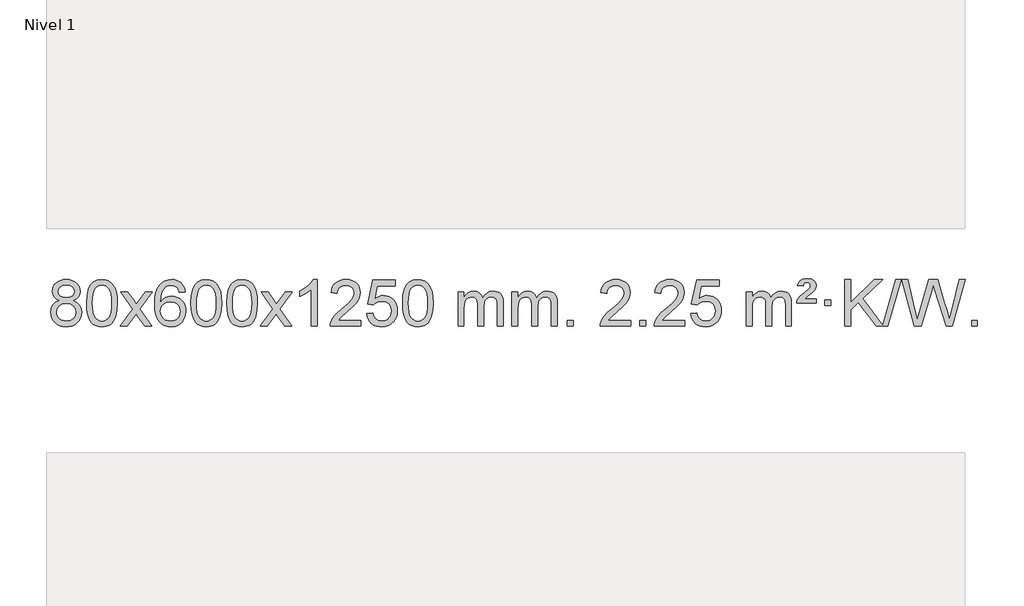
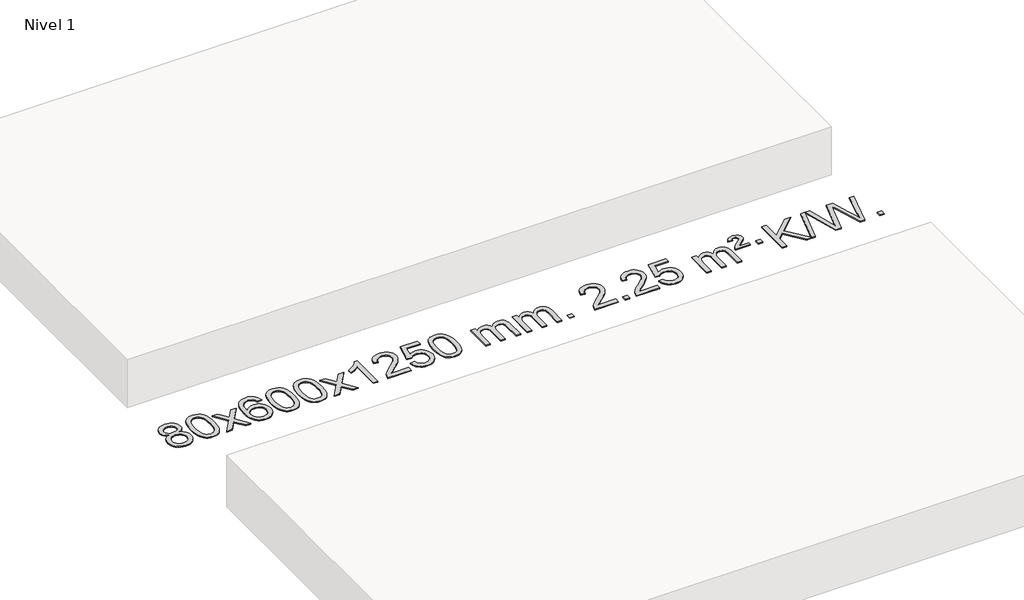
# One storey, part 6 of 7: 1 proxy.
"""IFC4 building model written with IfcOpenShell, lengths in millimetres."""

import ifcopenshell
import ifcopenshell.guid

model = None  # the IFC model being written
_history = None  # IfcOwnerHistory: only IFC2X3 demands one
_inside = {}  # id of a spatial element -> (the spatial element, [elements in it])
_under = {}  # id of a project, library or spatial element -> (it, [spatial elements below it])
_declared = {}  # id of a project -> (the project, [libraries it declares])
_typed = {}  # id of a type object -> (the type object, [elements of that type])
_made_of = {}  # id of a material, layer set ... -> (it, [elements and type objects made of it])


def new_model(schema):
    """Start an empty IFC model of exactly this schema.

    Asked for "IFC4X3", IfcOpenShell would pick the latest addendum, in which some entities
    have other attributes; the version numbers below select the first issue.
    IFC2X3 requires an IfcOwnerHistory on every rooted entity: one is made here for all.
    """
    global model, _history
    if schema == "IFC4X3":
        model = ifcopenshell.file(schema_version=(4, 3, 0, 0))
    else:
        model = ifcopenshell.file(schema=schema)
    _inside.clear()
    _under.clear()
    _declared.clear()
    _typed.clear()
    _made_of.clear()
    _history = None
    if model.schema == "IFC2X3":
        org = make("IfcOrganization", Name="unknown")
        user = make(
            "IfcPersonAndOrganization",
            ThePerson=make("IfcPerson", FamilyName="unknown"),
            TheOrganization=org,
        )
        app = make(
            "IfcApplication",
            ApplicationDeveloper=org,
            Version="unknown",
            ApplicationFullName="unknown",
            ApplicationIdentifier="unknown",
        )
        _history = make(
            "IfcOwnerHistory",
            OwningUser=user,
            OwningApplication=app,
            ChangeAction="ADDED",
            CreationDate=0,
        )
    return model


def make(cls, **values):
    """One entity of the class cls with the attributes given. An attribute that is None is left unset."""
    return model.create_entity(
        cls, **{name: value for name, value in values.items() if value is not None}
    )


def rooted(cls, **values):
    """An entity with a GlobalId (a new one), such as an element, a storey or a relation."""
    return make(cls, GlobalId=ifcopenshell.guid.new(), OwnerHistory=_history, **values)


def si_unit(unit_type, name, prefix=None):
    """IfcSIUnit, for example si_unit("LENGTHUNIT", "METRE", prefix="MILLI")."""
    return make("IfcSIUnit", UnitType=unit_type, Prefix=prefix, Name=name)


def assignment(units):
    """IfcUnitAssignment: the units of a project."""
    return None if units is None else make("IfcUnitAssignment", Units=units)


def point(xyz):
    """IfcCartesianPoint."""
    return None if xyz is None else make("IfcCartesianPoint", Coordinates=xyz)


def direction(xyz):
    """IfcDirection."""
    return None if xyz is None else make("IfcDirection", DirectionRatios=xyz)


def frame(location, z_axis=None, x_axis=None):
    """IfcAxis2Placement3D, a coordinate frame: its origin and axes. An axis left out is left unset."""
    return make(
        "IfcAxis2Placement3D",
        Location=point(location),
        Axis=direction(z_axis),
        RefDirection=direction(x_axis),
    )


def origin():
    """The frame at (0, 0, 0) with its axes left unset."""
    return frame((0.0, 0.0, 0.0))


def origin_with_axes():
    """The frame at (0, 0, 0) with the z axis (0, 0, 1) and the x axis (1, 0, 0) written out."""
    return frame((0.0, 0.0, 0.0), z_axis=(0.0, 0.0, 1.0), x_axis=(1.0, 0.0, 0.0))


def place(relative_to, where):
    """IfcLocalPlacement: puts the frame where relative to a parent placement (None: the world)."""
    return make(
        "IfcLocalPlacement", PlacementRelTo=relative_to, RelativePlacement=where
    )


def context(
    kind, dimensions, precision=None, world=None, true_north=None, identifier=None
):
    """IfcGeometricRepresentationContext, for example the 3D "Model" context."""
    return make(
        "IfcGeometricRepresentationContext",
        ContextIdentifier=identifier,
        ContextType=kind,
        CoordinateSpaceDimension=dimensions,
        Precision=precision,
        WorldCoordinateSystem=world,
        TrueNorth=true_north,
    )


def project(units=None, contexts=None):
    """IfcProject with its units and contexts."""
    return rooted(
        "IfcProject",
        Name="project",
        RepresentationContexts=contexts,
        UnitsInContext=assignment(units),
    )


def spatial(cls, under=None, at=None, **own):
    """A site, building, storey or space (cls), placed at a placement, below another one or the project."""
    s = rooted(cls, ObjectPlacement=at, **own)
    if under is not None:
        _under.setdefault(under.id(), (under, []))[1].append(s)
    return s


def polyline(points):
    """IfcPolyline through the points."""
    return make("IfcPolyline", Points=[point(p) for p in points])


def outline(outer, holes=None, kind="AREA"):
    """IfcArbitraryClosedProfileDef: a profile drawn as a closed curve; with holes, ...WithVoids."""
    if holes is None:
        return make("IfcArbitraryClosedProfileDef", ProfileType=kind, OuterCurve=outer)
    return make(
        "IfcArbitraryProfileDefWithVoids",
        ProfileType=kind,
        OuterCurve=outer,
        InnerCurves=holes,
    )


def extrude(swept, where, along, depth):
    """IfcExtrudedAreaSolid: the profile swept, set in the frame where, extruded along a direction by depth."""
    return make(
        "IfcExtrudedAreaSolid",
        SweptArea=swept,
        Position=where,
        ExtrudedDirection=direction(along),
        Depth=depth,
    )


def shape(context_of_items, identifier, shape_type, items):
    """IfcShapeRepresentation: the items that make up one representation, for example the "Body"."""
    return make(
        "IfcShapeRepresentation",
        ContextOfItems=context_of_items,
        RepresentationIdentifier=identifier,
        RepresentationType=shape_type,
        Items=items,
    )


def made_of(thing, what):
    """Note that an element or type object is made of a material, layer set ...; save() writes the relation."""
    if what is not None:
        _made_of.setdefault(what.id(), (what, []))[1].append(thing)
    return thing


def element(
    cls,
    number,
    at=None,
    inside=None,
    cuts=None,
    type_object=None,
    material=None,
    context=None,
    identifier="Body",
    shape_type=None,
    held_by="IfcProductDefinitionShape",
    body=None,
    shapes=None,
    **own,
):
    """One element of the class cls, such as IfcWall. Its Tag is "e" and its number.

    at: its placement. inside: the storey or other place that contains it. cuts: it is an
    opening in that element (IfcRelVoidsElement). A single representation is given by context,
    identifier, shape_type and body (its items); several are given by shapes. held_by: the class
    of the entity that holds the representations. save() writes the other relations.
    """
    e = rooted(cls, Tag="e%d" % number, ObjectPlacement=at, **own)
    if body is not None:
        shapes = [shape(context, identifier, shape_type, body)]
    if shapes is not None:
        e.Representation = make(held_by, Representations=shapes)
    if inside is not None:
        _inside.setdefault(inside.id(), (inside, []))[1].append(e)
    if cuts is not None:
        rooted(
            "IfcRelVoidsElement", RelatingBuildingElement=cuts, RelatedOpeningElement=e
        )
    if type_object is not None:
        _typed.setdefault(type_object.id(), (type_object, []))[1].append(e)
    return made_of(e, material)


def aggregate(whole, parts):
    """IfcRelAggregates: a whole, such as a stair, and the parts it consists of."""
    return rooted("IfcRelAggregates", RelatingObject=whole, RelatedObjects=parts)


def save(model, path):
    """Write the relations noted so far, then the file.

    IfcRelAggregates (storeys below a building ...), IfcRelContainedInSpatialStructure (elements
    in a storey), IfcRelDefinesByType, IfcRelAssociatesMaterial and IfcRelDeclares: one each for
    every whole, place, type object, material and project.
    """
    for whole, parts in _under.values():
        aggregate(whole, parts)
    for where, things in _inside.values():
        rooted(
            "IfcRelContainedInSpatialStructure",
            RelatedElements=things,
            RelatingStructure=where,
        )
    for kind, things in _typed.values():
        rooted("IfcRelDefinesByType", RelatedObjects=things, RelatingType=kind)
    for what, things in _made_of.values():
        rooted("IfcRelAssociatesMaterial", RelatedObjects=things, RelatingMaterial=what)
    for by, libraries in _declared.values():
        rooted("IfcRelDeclares", RelatingContext=by, RelatedDefinitions=libraries)
    model.write(path)


model = new_model("IFC4")

# Units and contexts
model_context = context("Model", 3, world=origin())
ifc_project = project(units=[si_unit("LENGTHUNIT", "METRE", prefix="MILLI")], contexts=[model_context])

# Site, building, storey
site = spatial("IfcSite", under=ifc_project)
building = spatial("IfcBuilding", under=site)
storey = spatial("IfcBuildingStorey", under=building, Name="Nivel 1", Elevation=0.0)

# Proxy
placement = place(None, origin())
element("IfcBuildingElementProxy", 1, Name="Texto de modelo 1", ObjectType="Texto de modelo 1", at=placement, inside=storey, context=model_context, shape_type="SweptSolid", body=[
    extrude(outline(polyline([(-13206.7901143, -6463.2990486), (-13233.6822881, -6450.0552967), (-13252.5546345, -6432.1026554), (-13263.7014589, -6409.8090065), (-13267.4170671, -6383.542232), (-13265.3937161, -6363.0573363), (-13259.3236632, -6344.2769604), (-13249.2069083, -6327.2011045), (-13235.0434515, -6311.8297684), (-13217.5138744, -6299.1255769), (-13197.2987588, -6290.0511543), (-13174.3981046, -6284.6065008), (-13148.8119118, -6282.7916163), (-13123.1030917, -6284.6494203), (-13100.0307593, -6290.2228326), (-13079.5949144, -6299.511853), (-13061.7955572, -6312.5164815), (-13047.374583, -6328.1882545), (-13037.0738872, -6345.4787082), (-13030.8934696, -6364.3878428), (-13028.8333305, -6384.9156581), (-13032.4998877, -6410.336304), (-13043.4995593, -6432.2498082), (-13061.9549728, -6450.0920849), (-13087.9887553, -6463.2990486), (-13057.074405, -6479.228339), (-13034.5722896, -6502.6869475), (-13020.8502912, -6532.5467028), (-13016.2762917, -6567.6794333), (-13018.5448973, -6592.7321972), (-13025.3507143, -6615.7002964), (-13036.6937424, -6636.583731), (-13052.5739819, -6655.382501), (-13072.1575668, -6670.9193839), (-13094.6106312, -6682.0171574), (-13119.9331752, -6688.6758215), (-13148.1251988, -6690.8953763), (-13176.3172223, -6688.6666245), (-13201.6397663, -6681.9803692), (-13224.0928308, -6670.8366105), (-13243.6764157, -6655.2353482), (-13259.5566551, -6636.3047539), (-13270.8996833, -6615.1729989), (-13277.7055002, -6591.8400834), (-13279.9741058, -6566.3060072), (-13275.2161654, -6529.8121133), (-13260.942344, -6499.7929425), (-13237.8884056, -6477.2785644), (-13206.7901143, -6463.2990486)]), holes=[polyline([(-13217.188912, -6385.01376), (-13212.7375399, -6406.9395269), (-13199.3834234, -6424.4507099), (-13177.5189702, -6435.9286281), (-13147.5365876, -6439.7546009), (-13118.2531808, -6435.9531536), (-13096.7198213, -6424.5488117), (-13083.4760695, -6407.62624), (-13079.0614855, -6387.2701029), (-13083.6232223, -6366.1414136), (-13097.3084325, -6348.6670189), (-13119.1360976, -6336.9315832), (-13148.1251988, -6333.0197713), (-13177.298241, -6336.8457441), (-13199.0891178, -6348.3236623), (-13212.6639635, -6365.1481323), (-13217.188912, -6385.01376)]), polyline([(-13229.7459508, -6564.5401736), (-13227.6490234, -6583.7558765), (-13221.3582413, -6602.3584427), (-13209.745433, -6618.5820387), (-13191.682427, -6630.6608309), (-13170.0509657, -6638.1656236), (-13147.7327913, -6640.6672212), (-13113.5442912, -6635.4065086), (-13099.6506145, -6628.830618), (-13087.8906534, -6619.6243711), (-13071.8509984, -6595.7243041), (-13066.5044468, -6566.1098035), (-13072.0226767, -6535.9925308), (-13088.5773665, -6511.5651663), (-13100.6561587, -6502.1228618), (-13114.8196155, -6495.3783586), (-13149.400523, -6489.982756), (-13183.1107765, -6495.3047822), (-13196.8481034, -6501.9573149), (-13208.5068969, -6511.2708607), (-13224.4361873, -6535.2322414), (-13229.7459508, -6564.5401736)])]), origin_with_axes(), (0.0, 0.0, 1.0), 10.0),
    extrude(outline(polyline([(-12972.326656, -6486.9415981), (-12968.6355733, -6422.6235626), (-12957.5623253, -6371.3285498), (-12939.2172764, -6332.2717446), (-12927.3592135, -6317.0383643), (-12913.7107915, -6304.6683323), (-12898.2260251, -6295.097269), (-12880.8589293, -6288.2607953), (-12840.4777489, -6282.7916163), (-12809.5266104, -6286.0289778), (-12781.8128334, -6295.7410625), (-12758.6362678, -6311.5477256), (-12741.296763, -6333.0688223), (-12728.200164, -6360.1204117), (-12717.7523154, -6392.5185527), (-12710.9097102, -6433.6600225), (-12708.6288419, -6486.9415981), (-12712.2831364, -6550.8917516), (-12723.2460198, -6602.0641372), (-12741.480704, -6641.1577305), (-12753.3111759, -6656.437096), (-12766.9504008, -6668.8715075), (-12782.4535613, -6678.5069501), (-12799.8758394, -6685.3894091), (-12840.4777489, -6690.8953763), (-12868.142475, -6688.5041433), (-12892.6679413, -6681.3304444), (-12914.054148, -6669.3742795), (-12932.3010949, -6652.6356488), (-12949.8122779, -6622.3773547), (-12962.3202657, -6584.6755815), (-12969.8250584, -6539.5303293), (-12972.326656, -6486.9415981)]), holes=[polyline([(-12922.0985009, -6486.8434963), (-12920.626973, -6530.5080234), (-12916.212389, -6565.8522861), (-12908.8547491, -6592.8762843), (-12898.5540532, -6611.5800181), (-12886.0951163, -6624.3056694), (-12872.2627533, -6633.3954204), (-12857.0569642, -6638.849271), (-12840.4777489, -6640.6672212), (-12823.8985337, -6638.8431396), (-12808.6927446, -6633.3708949), (-12794.8603815, -6624.2504871), (-12782.4014446, -6611.4819162), (-12772.1007488, -6592.7475256), (-12764.7431089, -6565.7296588), (-12760.3285249, -6530.4283156), (-12758.8569969, -6486.8434963), (-12760.279474, -6444.3347317), (-12764.5469051, -6409.6128027), (-12771.6592904, -6382.6777093), (-12781.6166297, -6363.5294515), (-12793.8671002, -6350.1814664), (-12807.8588787, -6340.6471914), (-12823.5919654, -6334.9266264), (-12841.0663601, -6333.0197713), (-12857.5597363, -6334.6997658), (-12872.508008, -6339.7397491), (-12885.9111753, -6348.1397213), (-12897.7692383, -6359.8996825), (-12908.4132907, -6380.7463289), (-12916.0161853, -6408.8525133), (-12920.577922, -6444.2182358), (-12922.0985009, -6486.8434963)])]), origin_with_axes(), (0.0, 0.0, 1.0), 10.0),
    extrude(outline(polyline([(-12683.5147643, -6684.6168569), (-12576.1913236, -6536.2868364), (-12677.236245, -6389.5264458), (-12616.8054959, -6389.5264458), (-12568.0488688, -6460.1597889), (-12545.289236, -6493.5144231), (-12525.5707611, -6466.2421045), (-12470.0451053, -6389.5264458), (-12409.6143562, -6389.5264458), (-12515.7605745, -6536.2868364), (-12413.5384308, -6684.6168569), (-12473.9691799, -6684.6168569), (-12535.4790495, -6595.4422612), (-12546.760764, -6579.1573516), (-12623.0840153, -6684.6168569), (-12683.5147643, -6684.6168569)])), origin_with_axes(), (0.0, 0.0, 1.0), 10.0),
    extrude(outline(polyline([(-12124.7265391, -6389.5264458), (-12174.9546942, -6395.8049652), (-12183.0480981, -6370.9116168), (-12193.9864561, -6353.9154687), (-12216.7706143, -6338.2436957), (-12244.312713, -6333.0197713), (-12267.660957, -6336.0609292), (-12289.6357748, -6345.1844027), (-12308.5081212, -6364.4001055), (-12323.9223768, -6390.850821), (-12334.3334372, -6428.2644199), (-12338.1961982, -6480.3687731), (-12318.0485276, -6456.8611137), (-12293.903206, -6440.2941611), (-12267.109134, -6430.4717119), (-12239.0152123, -6427.1975621), (-12214.8821534, -6429.4355109), (-12192.61303, -6436.1493573), (-12172.207842, -6447.3391013), (-12153.6665894, -6463.004743), (-12138.2584652, -6482.2143145), (-12127.2526622, -6504.0358482), (-12120.6491803, -6528.469344), (-12118.4480197, -6555.514802), (-12122.5928236, -6591.4813984), (-12135.027235, -6624.8237699), (-12154.7211845, -6653.1016326), (-12180.6446024, -6673.8747026), (-12211.6202664, -6686.6402078), (-12246.4709541, -6690.8953763), (-12276.4134828, -6688.0749476), (-12303.4558751, -6679.6136617), (-12327.5981311, -6665.5115186), (-12348.8402506, -6645.7685182), (-12366.1582955, -6619.5507947), (-12378.5283276, -6586.0244822), (-12385.9503469, -6545.1895807), (-12388.4243533, -6497.0460903), (-12385.677501, -6443.0716702), (-12377.4369443, -6397.006713), (-12363.7026832, -6358.8512188), (-12344.4747176, -6328.6051874), (-12323.6342026, -6308.56175), (-12299.4704868, -6294.2450091), (-12271.9835704, -6285.6549645), (-12241.1734533, -6282.7916163), (-12218.0398072, -6284.5635812), (-12197.1011903, -6289.879476), (-12178.3576027, -6298.7393008), (-12161.8090442, -6311.1430554), (-12147.9031048, -6326.6738069), (-12137.0873742, -6344.9146225), (-12129.3618523, -6365.8655021), (-12124.7265391, -6389.5264458)]), holes=[polyline([(-12338.1961982, -6554.7299871), (-12335.2899304, -6576.9868478), (-12326.5711271, -6598.2381644), (-12313.0330697, -6616.5096368), (-12295.6690396, -6629.8269651), (-12274.7120286, -6637.9571571), (-12250.3950287, -6640.6672212), (-12217.2488609, -6635.0508894), (-12203.3337244, -6628.0304746), (-12191.1905529, -6618.201894), (-12181.3405125, -6605.9636863), (-12174.3047693, -6591.7143904), (-12168.6761748, -6557.1825337), (-12174.2311929, -6524.036366), (-12181.1749656, -6510.4155351), (-12190.8962473, -6498.7628729), (-12203.0762071, -6489.4278673), (-12217.3960137, -6482.7600061), (-12252.4551679, -6477.4257172), (-12285.5522847, -6482.7600061), (-12313.2292735, -6498.7628729), (-12324.152303, -6510.2622509), (-12331.954467, -6523.4232293), (-12336.6357654, -6538.245808), (-12338.1961982, -6554.7299871)])]), origin_with_axes(), (0.0, 0.0, 1.0), 10.0),
    extrude(outline(polyline([(-12074.4983841, -6486.9415981), (-12070.8073014, -6422.6235626), (-12059.7340533, -6371.3285498), (-12041.3890045, -6332.2717446), (-12029.5309415, -6317.0383643), (-12015.8825195, -6304.6683323), (-12000.3977532, -6295.097269), (-11983.0306573, -6288.2607953), (-11942.649477, -6282.7916163), (-11911.6983385, -6286.0289778), (-11883.9845615, -6295.7410625), (-11860.8079958, -6311.5477256), (-11843.4684911, -6333.0688223), (-11830.3718921, -6360.1204117), (-11819.9240434, -6392.5185527), (-11813.0814383, -6433.6600225), (-11810.8005699, -6486.9415981), (-11814.4548644, -6550.8917516), (-11825.4177479, -6602.0641372), (-11843.6524321, -6641.1577305), (-11855.4829039, -6656.437096), (-11869.1221289, -6668.8715075), (-11884.6252893, -6678.5069501), (-11902.0475674, -6685.3894091), (-11942.649477, -6690.8953763), (-11970.314203, -6688.5041433), (-11994.8396694, -6681.3304444), (-12016.225876, -6669.3742795), (-12034.472823, -6652.6356488), (-12051.9840059, -6622.3773547), (-12064.4919938, -6584.6755815), (-12071.9967865, -6539.5303293), (-12074.4983841, -6486.9415981)]), holes=[polyline([(-12024.270229, -6486.8434963), (-12022.798701, -6530.5080234), (-12018.3841171, -6565.8522861), (-12011.0264772, -6592.8762843), (-12000.7257813, -6611.5800181), (-11988.2668444, -6624.3056694), (-11974.4344814, -6633.3954204), (-11959.2286922, -6638.849271), (-11942.649477, -6640.6672212), (-11926.0702617, -6638.8431396), (-11910.8644726, -6633.3708949), (-11897.0321096, -6624.2504871), (-11884.5731727, -6611.4819162), (-11874.2724768, -6592.7475256), (-11866.9148369, -6565.7296588), (-11862.500253, -6530.4283156), (-11861.028725, -6486.8434963), (-11862.451202, -6444.3347317), (-11866.7186332, -6409.6128027), (-11873.8310184, -6382.6777093), (-11883.7883578, -6363.5294515), (-11896.0388282, -6350.1814664), (-11910.0306067, -6340.6471914), (-11925.7636934, -6334.9266264), (-11943.2380882, -6333.0197713), (-11959.7314643, -6334.6997658), (-11974.679736, -6339.7397491), (-11988.0829034, -6348.1397213), (-11999.9409664, -6359.8996825), (-12010.5850188, -6380.7463289), (-12018.1879133, -6408.8525133), (-12022.7496501, -6444.2182358), (-12024.270229, -6486.8434963)])]), origin_with_axes(), (0.0, 0.0, 1.0), 10.0),
    extrude(outline(polyline([(-11766.8509342, -6486.9415981), (-11763.1598515, -6422.6235626), (-11752.0866035, -6371.3285498), (-11733.7415547, -6332.2717446), (-11721.8834917, -6317.0383643), (-11708.2350697, -6304.6683323), (-11692.7503033, -6295.097269), (-11675.3832075, -6288.2607953), (-11635.0020271, -6282.7916163), (-11604.0508886, -6286.0289778), (-11576.3371117, -6295.7410625), (-11553.160546, -6311.5477256), (-11535.8210412, -6333.0688223), (-11522.7244422, -6360.1204117), (-11512.2765936, -6392.5185527), (-11505.4339884, -6433.6600225), (-11503.1531201, -6486.9415981), (-11506.8074146, -6550.8917516), (-11517.770298, -6602.0641372), (-11536.0049822, -6641.1577305), (-11547.8354541, -6656.437096), (-11561.474679, -6668.8715075), (-11576.9778395, -6678.5069501), (-11594.4001176, -6685.3894091), (-11635.0020271, -6690.8953763), (-11662.6667532, -6688.5041433), (-11687.1922195, -6681.3304444), (-11708.5784262, -6669.3742795), (-11726.8253731, -6652.6356488), (-11744.3365561, -6622.3773547), (-11756.844544, -6584.6755815), (-11764.3493367, -6539.5303293), (-11766.8509342, -6486.9415981)]), holes=[polyline([(-11716.6227791, -6486.8434963), (-11715.1512512, -6530.5080234), (-11710.7366672, -6565.8522861), (-11703.3790273, -6592.8762843), (-11693.0783315, -6611.5800181), (-11680.6193946, -6624.3056694), (-11666.7870315, -6633.3954204), (-11651.5812424, -6638.849271), (-11635.0020271, -6640.6672212), (-11618.4228119, -6638.8431396), (-11603.2170228, -6633.3708949), (-11589.3846597, -6624.2504871), (-11576.9257228, -6611.4819162), (-11566.625027, -6592.7475256), (-11559.2673871, -6565.7296588), (-11554.8528031, -6530.4283156), (-11553.3812752, -6486.8434963), (-11554.8037522, -6444.3347317), (-11559.0711833, -6409.6128027), (-11566.1835686, -6382.6777093), (-11576.1409079, -6363.5294515), (-11588.3913784, -6350.1814664), (-11602.3831569, -6340.6471914), (-11618.1162436, -6334.9266264), (-11635.5906383, -6333.0197713), (-11652.0840145, -6334.6997658), (-11667.0322862, -6339.7397491), (-11680.4354536, -6348.1397213), (-11692.2935165, -6359.8996825), (-11702.9375689, -6380.7463289), (-11710.5404635, -6408.8525133), (-11715.1022002, -6444.2182358), (-11716.6227791, -6486.8434963)])]), origin_with_axes(), (0.0, 0.0, 1.0), 10.0),
    extrude(outline(polyline([(-11478.0390425, -6684.6168569), (-11370.7156018, -6536.2868364), (-11471.7605232, -6389.5264458), (-11411.3297741, -6389.5264458), (-11362.573147, -6460.1597889), (-11339.8135142, -6493.5144231), (-11320.0950393, -6466.2421045), (-11264.5693835, -6389.5264458), (-11204.1386344, -6389.5264458), (-11310.2848527, -6536.2868364), (-11208.062709, -6684.6168569), (-11268.4934581, -6684.6168569), (-11330.0033277, -6595.4422612), (-11341.2850422, -6579.1573516), (-11417.6082935, -6684.6168569), (-11478.0390425, -6684.6168569)])), origin_with_axes(), (0.0, 0.0, 1.0), 10.0),
    extrude(outline(polyline([(-10988.3145306, -6684.6168569), (-11038.5426856, -6684.6168569), (-11038.5426856, -6371.4757026), (-11059.5119594, -6388.4350626), (-11086.1220903, -6405.3698971), (-11138.9989958, -6430.7292293), (-11138.9989958, -6383.2479264), (-11099.5497832, -6361.7881434), (-11065.3735458, -6336.2571329), (-11038.432321, -6309.1074417), (-11020.6881461, -6282.7916163), (-10988.3145306, -6282.7916163), (-10988.3145306, -6684.6168569)])), origin_with_axes(), (0.0, 0.0, 1.0), 10.0),
    extrude(outline(polyline([(-10611.6033675, -6634.3887018), (-10611.6033675, -6684.6168569), (-10875.3011816, -6684.6168569), (-10874.1975357, -6666.9339956), (-10869.905579, -6649.9868984), (-10857.5202185, -6622.9230463), (-10839.3958989, -6596.6685346), (-10813.1781754, -6569.1877495), (-10776.5126032, -6538.4450775), (-10722.3113226, -6490.301587), (-10689.7905542, -6454.7641863), (-10673.53017, -6425.9222379), (-10668.110042, -6397.8651044), (-10673.2236017, -6372.7142386), (-10688.5642809, -6351.8062786), (-10712.1455168, -6337.7163982), (-10741.9807466, -6333.0197713), (-10773.3120298, -6337.6060336), (-10797.6535552, -6351.3648202), (-10813.3621164, -6373.2170107), (-10818.7945072, -6402.0834846), (-10869.0226623, -6395.8049652), (-10864.7031145, -6369.8754159), (-10856.8457682, -6347.2200164), (-10845.4506234, -6327.8387666), (-10830.5176801, -6311.7316666), (-10812.3902948, -6299.0703946), (-10791.411824, -6290.0266288), (-10767.5822678, -6284.6003694), (-10740.9016261, -6282.7916163), (-10713.9818611, -6284.8027045), (-10690.0235461, -6290.8359692), (-10669.0266813, -6300.8914104), (-10650.9912664, -6314.9690281), (-10636.5059129, -6332.02649), (-10626.1592318, -6351.0214636), (-10619.9512231, -6371.9539492), (-10617.8818869, -6394.8239465), (-10620.1137043, -6418.8466408), (-10626.8091566, -6442.4524022), (-10638.6917451, -6466.4628337), (-10656.4849709, -6491.6995386), (-10684.8486727, -6521.829074), (-10728.4426892, -6560.5179972), (-10786.2246879, -6608.8331659), (-10808.8862188, -6634.3887018), (-10611.6033675, -6634.3887018)])), origin_with_axes(), (0.0, 0.0, 1.0), 10.0),
    extrude(outline(polyline([(-10561.3752124, -6577.8820273), (-10511.1470573, -6571.603508), (-10501.925482, -6601.7575688), (-10485.8367761, -6623.3522419), (-10462.954516, -6636.3384764), (-10433.3522781, -6640.6672212), (-10414.2224144, -6639.1619707), (-10397.3488935, -6634.6462192), (-10382.7317156, -6627.1199667), (-10370.3708805, -6616.5832132), (-10360.5422999, -6603.5571249), (-10353.5218851, -6588.5628679), (-10347.9055534, -6552.6698479), (-10353.1662659, -6518.8737553), (-10359.7421566, -6504.9555532), (-10368.9484035, -6493.0239138), (-10380.8156635, -6483.4528505), (-10395.3745935, -6476.6163768), (-10432.5674632, -6471.1471978), (-10456.933514, -6473.3299643), (-10476.6642517, -6479.8782638), (-10492.4218638, -6489.9091796), (-10504.868538, -6502.5397947), (-10555.096693, -6496.2612753), (-10511.1470573, -6289.0701357), (-10316.5129564, -6289.0701357), (-10316.5129564, -6339.2982907), (-10470.5328851, -6339.2982907), (-10492.0171936, -6449.9571949), (-10474.2914128, -6437.2530033), (-10456.1364363, -6428.1785808), (-10437.5522642, -6422.7339272), (-10418.5388964, -6420.9190427), (-10394.0778094, -6423.1692543), (-10371.6094166, -6429.9198889), (-10351.1337179, -6441.1709466), (-10332.6507133, -6456.9224273), (-10317.349888, -6476.2117066), (-10306.420727, -6498.0761598), (-10299.8632305, -6522.5157871), (-10297.6773983, -6549.5305882), (-10299.645567, -6575.552108), (-10305.550073, -6599.7587433), (-10315.3909163, -6622.1504941), (-10329.1680971, -6642.7273604), (-10350.0392689, -6663.8008673), (-10374.393057, -6678.8533723), (-10402.2294613, -6687.8848753), (-10433.5484818, -6690.8953763), (-10459.4688341, -6688.9609301), (-10482.8814574, -6683.1575916), (-10503.7863518, -6673.4853608), (-10522.1835172, -6659.9442377), (-10537.4904739, -6643.2086726), (-10549.124742, -6623.9531159), (-10557.0863215, -6602.1775674), (-10561.3752124, -6577.8820273)])), origin_with_axes(), (0.0, 0.0, 1.0), 10.0),
    extrude(outline(polyline([(-10253.7277626, -6486.9415981), (-10250.0366799, -6422.6235626), (-10238.9634319, -6371.3285498), (-10220.618383, -6332.2717446), (-10208.76032, -6317.0383643), (-10195.111898, -6304.6683323), (-10179.6271317, -6295.097269), (-10162.2600359, -6288.2607953), (-10121.8788555, -6282.7916163), (-10090.927717, -6286.0289778), (-10063.21394, -6295.7410625), (-10040.0373743, -6311.5477256), (-10022.6978696, -6333.0688223), (-10009.6012706, -6360.1204117), (-9999.1534219, -6392.5185527), (-9992.3108168, -6433.6600225), (-9990.0299484, -6486.9415981), (-9993.6842429, -6550.8917516), (-10004.6471264, -6602.0641372), (-10022.8818106, -6641.1577305), (-10034.7122824, -6656.437096), (-10048.3515074, -6668.8715075), (-10063.8546678, -6678.5069501), (-10081.276946, -6685.3894091), (-10121.8788555, -6690.8953763), (-10149.5435816, -6688.5041433), (-10174.0690479, -6681.3304444), (-10195.4552546, -6669.3742795), (-10213.7022015, -6652.6356488), (-10231.2133845, -6622.3773547), (-10243.7213723, -6584.6755815), (-10251.226165, -6539.5303293), (-10253.7277626, -6486.9415981)]), holes=[polyline([(-10203.4996075, -6486.8434963), (-10202.0280795, -6530.5080234), (-10197.6134956, -6565.8522861), (-10190.2558557, -6592.8762843), (-10179.9551598, -6611.5800181), (-10167.4962229, -6624.3056694), (-10153.6638599, -6633.3954204), (-10138.4580708, -6638.849271), (-10121.8788555, -6640.6672212), (-10105.2996403, -6638.8431396), (-10090.0938511, -6633.3708949), (-10076.2614881, -6624.2504871), (-10063.8025512, -6611.4819162), (-10053.5018553, -6592.7475256), (-10046.1442154, -6565.7296588), (-10041.7296315, -6530.4283156), (-10040.2581035, -6486.8434963), (-10041.6805806, -6444.3347317), (-10045.9480117, -6409.6128027), (-10053.060397, -6382.6777093), (-10063.0177363, -6363.5294515), (-10075.2682067, -6350.1814664), (-10089.2599853, -6340.6471914), (-10104.9930719, -6334.9266264), (-10122.4674667, -6333.0197713), (-10138.9608428, -6334.6997658), (-10153.9091146, -6339.7397491), (-10167.3122819, -6348.1397213), (-10179.1703449, -6359.8996825), (-10189.8143973, -6380.7463289), (-10197.4172919, -6408.8525133), (-10201.9790286, -6444.2182358), (-10203.4996075, -6486.8434963)])]), origin_with_axes(), (0.0, 0.0, 1.0), 10.0),
    extrude(outline(polyline([(-9776.5602894, -6684.6168569), (-9776.5602894, -6389.5264458), (-9726.3321343, -6389.5264458), (-9726.3321343, -6438.0868692), (-9711.224447, -6415.7809575), (-9691.8002777, -6398.3065628), (-9668.7218139, -6387.0125855), (-9642.6512431, -6383.2479264), (-9614.716737, -6387.0861619), (-9592.3249862, -6398.6008684), (-9575.5986181, -6417.0317563), (-9564.6602602, -6441.6185363), (-9546.3519995, -6416.0813945), (-9525.4685649, -6397.8405789), (-9502.0099564, -6386.8960895), (-9475.9761739, -6383.2479264), (-9455.8683571, -6384.7654397), (-9438.2192184, -6389.3179793), (-9423.0287577, -6396.9055455), (-9410.296975, -6407.5281381), (-9400.2323367, -6421.3083845), (-9393.0433094, -6438.368912), (-9388.729893, -6458.7097207), (-9387.2920876, -6482.3308105), (-9387.2920876, -6684.6168569), (-9437.5202426, -6684.6168569), (-9437.5202426, -6503.9132208), (-9438.6852023, -6478.860457), (-9442.1800812, -6461.9746734), (-9448.7283807, -6450.410916), (-9459.0536021, -6441.3242307), (-9472.3341421, -6435.4381188), (-9487.7483977, -6433.4760815), (-9514.9594026, -6438.5038021), (-9537.1426869, -6453.5869639), (-9545.7480599, -6465.1568526), (-9551.8947549, -6479.7556365), (-9556.8121109, -6518.0398895), (-9556.8121109, -6684.6168569), (-9607.040266, -6684.6168569), (-9607.040266, -6498.3214145), (-9609.9465338, -6469.9209245), (-9618.6653371, -6449.6628893), (-9634.0060162, -6437.5227834), (-9656.7779118, -6433.4760815), (-9676.1285047, -6436.1738828), (-9693.9585187, -6444.2672867), (-9708.6737985, -6457.5600894), (-9718.6801888, -6475.8560873), (-9724.4191479, -6501.239945), (-9726.3321343, -6535.7963271), (-9726.3321343, -6684.6168569), (-9776.5602894, -6684.6168569)])), origin_with_axes(), (0.0, 0.0, 1.0), 10.0),
    extrude(outline(polyline([(-9311.9498549, -6684.6168569), (-9311.9498549, -6389.5264458), (-9261.7216999, -6389.5264458), (-9261.7216999, -6438.0868692), (-9246.6140126, -6415.7809575), (-9227.1898432, -6398.3065628), (-9204.1113794, -6387.0125855), (-9178.0408087, -6383.2479264), (-9150.1063025, -6387.0861619), (-9127.7145518, -6398.6008684), (-9110.9881837, -6417.0317563), (-9100.0498257, -6441.6185363), (-9081.7415651, -6416.0813945), (-9060.8581305, -6397.8405789), (-9037.3995219, -6386.8960895), (-9011.3657394, -6383.2479264), (-8991.2579227, -6384.7654397), (-8973.608784, -6389.3179793), (-8958.4183233, -6396.9055455), (-8945.6865405, -6407.5281381), (-8935.6219023, -6421.3083845), (-8928.432875, -6438.368912), (-8924.1194586, -6458.7097207), (-8922.6816531, -6482.3308105), (-8922.6816531, -6684.6168569), (-8972.9098082, -6684.6168569), (-8972.9098082, -6503.9132208), (-8974.0747678, -6478.860457), (-8977.5696468, -6461.9746734), (-8984.1179463, -6450.410916), (-8994.4431676, -6441.3242307), (-9007.7237077, -6435.4381188), (-9023.1379633, -6433.4760815), (-9050.3489682, -6438.5038021), (-9072.5322525, -6453.5869639), (-9081.1376255, -6465.1568526), (-9087.2843205, -6479.7556365), (-9092.2016765, -6518.0398895), (-9092.2016765, -6684.6168569), (-9142.4298316, -6684.6168569), (-9142.4298316, -6498.3214145), (-9145.3360993, -6469.9209245), (-9154.0549026, -6449.6628893), (-9169.3955818, -6437.5227834), (-9192.1674773, -6433.4760815), (-9211.5180703, -6436.1738828), (-9229.3480843, -6444.2672867), (-9244.0633641, -6457.5600894), (-9254.0697544, -6475.8560873), (-9259.8087135, -6501.239945), (-9261.7216999, -6535.7963271), (-9261.7216999, -6684.6168569), (-9311.9498549, -6684.6168569)])), origin_with_axes(), (0.0, 0.0, 1.0), 10.0),
    extrude(outline(polyline([(-8834.7823817, -6684.6168569), (-8834.7823817, -6634.3887018), (-8784.5542267, -6634.3887018), (-8784.5542267, -6684.6168569), (-8834.7823817, -6684.6168569)])), origin_with_axes(), (0.0, 0.0, 1.0), 10.0),
    extrude(outline(polyline([(-8288.5511953, -6634.3887018), (-8288.5511953, -6684.6168569), (-8552.2490094, -6684.6168569), (-8551.1453634, -6666.9339956), (-8546.8534068, -6649.9868984), (-8534.4680463, -6622.9230463), (-8516.3437267, -6596.6685346), (-8490.1260032, -6569.1877495), (-8453.460431, -6538.4450775), (-8399.2591504, -6490.301587), (-8366.738382, -6454.7641863), (-8350.4779978, -6425.9222379), (-8345.0578697, -6397.8651044), (-8350.1714295, -6372.7142386), (-8365.5121087, -6351.8062786), (-8389.0933446, -6337.7163982), (-8418.9285744, -6333.0197713), (-8450.2598576, -6337.6060336), (-8474.601383, -6351.3648202), (-8490.3099442, -6373.2170107), (-8495.742335, -6402.0834846), (-8545.97049, -6395.8049652), (-8541.6509423, -6369.8754159), (-8533.793596, -6347.2200164), (-8522.3984512, -6327.8387666), (-8507.4655079, -6311.7316666), (-8489.3381226, -6299.0703946), (-8468.3596518, -6290.0266288), (-8444.5300956, -6284.6003694), (-8417.8494539, -6282.7916163), (-8390.9296889, -6284.8027045), (-8366.9713739, -6290.8359692), (-8345.9745091, -6300.8914104), (-8327.9390942, -6314.9690281), (-8313.4537407, -6332.02649), (-8303.1070596, -6351.0214636), (-8296.8990509, -6371.9539492), (-8294.8297147, -6394.8239465), (-8297.0615321, -6418.8466408), (-8303.7569844, -6442.4524022), (-8315.6395729, -6466.4628337), (-8333.4327987, -6491.6995386), (-8361.7965005, -6521.829074), (-8405.390517, -6560.5179972), (-8463.1725157, -6608.8331659), (-8485.8340466, -6634.3887018), (-8288.5511953, -6634.3887018)])), origin_with_axes(), (0.0, 0.0, 1.0), 10.0),
    extrude(outline(polyline([(-8213.2089627, -6684.6168569), (-8213.2089627, -6634.3887018), (-8162.9808076, -6634.3887018), (-8162.9808076, -6684.6168569), (-8213.2089627, -6684.6168569)])), origin_with_axes(), (0.0, 0.0, 1.0), 10.0),
    extrude(outline(polyline([(-7823.9407608, -6634.3887018), (-7823.9407608, -6684.6168569), (-8087.638575, -6684.6168569), (-8086.534929, -6666.9339956), (-8082.2429724, -6649.9868984), (-8069.8576119, -6622.9230463), (-8051.7332923, -6596.6685346), (-8025.5155687, -6569.1877495), (-7988.8499966, -6538.4450775), (-7934.6487159, -6490.301587), (-7902.1279476, -6454.7641863), (-7885.8675634, -6425.9222379), (-7880.4474353, -6397.8651044), (-7885.560995, -6372.7142386), (-7900.9016742, -6351.8062786), (-7924.4829101, -6337.7163982), (-7954.3181399, -6333.0197713), (-7985.6494232, -6337.6060336), (-8009.9909485, -6351.3648202), (-8025.6995097, -6373.2170107), (-8031.1319005, -6402.0834846), (-8081.3600556, -6395.8049652), (-8077.0405078, -6369.8754159), (-8069.1831616, -6347.2200164), (-8057.7880168, -6327.8387666), (-8042.8550734, -6311.7316666), (-8024.7276881, -6299.0703946), (-8003.7492174, -6290.0266288), (-7979.9196611, -6284.6003694), (-7953.2390194, -6282.7916163), (-7926.3192544, -6284.8027045), (-7902.3609395, -6290.8359692), (-7881.3640746, -6300.8914104), (-7863.3286598, -6314.9690281), (-7848.8433062, -6332.02649), (-7838.4966251, -6351.0214636), (-7832.2886165, -6371.9539492), (-7830.2192802, -6394.8239465), (-7832.4510977, -6418.8466408), (-7839.14655, -6442.4524022), (-7851.0291384, -6466.4628337), (-7868.8223643, -6491.6995386), (-7897.1860661, -6521.829074), (-7940.7800825, -6560.5179972), (-7998.5620812, -6608.8331659), (-8021.2236121, -6634.3887018), (-7823.9407608, -6634.3887018)])), origin_with_axes(), (0.0, 0.0, 1.0), 10.0),
    extrude(outline(polyline([(-7773.7126058, -6577.8820273), (-7723.4844507, -6571.603508), (-7714.2628754, -6601.7575688), (-7698.1741694, -6623.3522419), (-7675.2919093, -6636.3384764), (-7645.6896715, -6640.6672212), (-7626.5598077, -6639.1619707), (-7609.6862869, -6634.6462192), (-7595.0691089, -6627.1199667), (-7582.7082739, -6616.5832132), (-7572.8796932, -6603.5571249), (-7565.8592785, -6588.5628679), (-7560.2429467, -6552.6698479), (-7565.5036592, -6518.8737553), (-7572.0795499, -6504.9555532), (-7581.2857968, -6493.0239138), (-7593.1530569, -6483.4528505), (-7607.7119868, -6476.6163768), (-7644.9048565, -6471.1471978), (-7669.2709073, -6473.3299643), (-7689.001645, -6479.8782638), (-7704.7592571, -6489.9091796), (-7717.2059313, -6502.5397947), (-7767.4340864, -6496.2612753), (-7723.4844507, -6289.0701357), (-7528.8503498, -6289.0701357), (-7528.8503498, -6339.2982907), (-7682.8702784, -6339.2982907), (-7704.3545869, -6449.9571949), (-7686.6288061, -6437.2530033), (-7668.4738297, -6428.1785808), (-7649.8896576, -6422.7339272), (-7630.8762898, -6420.9190427), (-7606.4152028, -6423.1692543), (-7583.9468099, -6429.9198889), (-7563.4711112, -6441.1709466), (-7544.9881066, -6456.9224273), (-7529.6872813, -6476.2117066), (-7518.7581204, -6498.0761598), (-7512.2006238, -6522.5157871), (-7510.0147916, -6549.5305882), (-7511.9829603, -6575.552108), (-7517.8874663, -6599.7587433), (-7527.7283097, -6622.1504941), (-7541.5054904, -6642.7273604), (-7562.3766623, -6663.8008673), (-7586.7304504, -6678.8533723), (-7614.5668547, -6687.8848753), (-7645.8858752, -6690.8953763), (-7671.8062274, -6688.9609301), (-7695.2188507, -6683.1575916), (-7716.1237451, -6673.4853608), (-7734.5209106, -6659.9442377), (-7749.8278672, -6643.2086726), (-7761.4621353, -6623.9531159), (-7769.4237148, -6602.1775674), (-7773.7126058, -6577.8820273)])), origin_with_axes(), (0.0, 0.0, 1.0), 10.0),
    extrude(outline(polyline([(-7296.5451326, -6684.6168569), (-7296.5451326, -6389.5264458), (-7246.3169775, -6389.5264458), (-7246.3169775, -6438.0868692), (-7231.2092902, -6415.7809575), (-7211.7851209, -6398.3065628), (-7188.706657, -6387.0125855), (-7162.6360863, -6383.2479264), (-7134.7015802, -6387.0861619), (-7112.3098294, -6398.6008684), (-7095.5834613, -6417.0317563), (-7084.6451033, -6441.6185363), (-7066.3368427, -6416.0813945), (-7045.4534081, -6397.8405789), (-7021.9947996, -6386.8960895), (-6995.961017, -6383.2479264), (-6975.8532003, -6384.7654397), (-6958.2040616, -6389.3179793), (-6943.0136009, -6396.9055455), (-6930.2818182, -6407.5281381), (-6920.2171799, -6421.3083845), (-6913.0281526, -6438.368912), (-6908.7147362, -6458.7097207), (-6907.2769307, -6482.3308105), (-6907.2769307, -6684.6168569), (-6957.5050858, -6684.6168569), (-6957.5050858, -6503.9132208), (-6958.6700455, -6478.860457), (-6962.1649244, -6461.9746734), (-6968.7132239, -6450.410916), (-6979.0384453, -6441.3242307), (-6992.3189853, -6435.4381188), (-7007.7332409, -6433.4760815), (-7034.9442458, -6438.5038021), (-7057.1275301, -6453.5869639), (-7065.7329031, -6465.1568526), (-7071.8795981, -6479.7556365), (-7076.7969541, -6518.0398895), (-7076.7969541, -6684.6168569), (-7127.0251092, -6684.6168569), (-7127.0251092, -6498.3214145), (-7129.9313769, -6469.9209245), (-7138.6501802, -6449.6628893), (-7153.9908594, -6437.5227834), (-7176.7627549, -6433.4760815), (-7196.1133479, -6436.1738828), (-7213.9433619, -6444.2672867), (-7228.6586417, -6457.5600894), (-7238.665032, -6475.8560873), (-7244.4039911, -6501.239945), (-7246.3169775, -6535.7963271), (-7246.3169775, -6684.6168569), (-7296.5451326, -6684.6168569)])), origin_with_axes(), (0.0, 0.0, 1.0), 10.0),
    extrude(outline(polyline([(-6863.327295, -6483.7042366), (-6859.5013223, -6467.8853108), (-6851.1626637, -6452.0173341), (-6829.6538298, -6426.878731), (-6797.6971471, -6399.1404286), (-6753.5513077, -6361.7636179), (-6746.414397, -6350.2366487), (-6744.0354267, -6338.4153739), (-6745.9238876, -6326.324319), (-6751.5892704, -6316.538658), (-6760.9579985, -6310.0639348), (-6773.9564957, -6307.9056938), (-6786.3909071, -6309.5243746), (-6795.2446005, -6314.3804169), (-6801.6702727, -6323.8472469), (-6806.8206206, -6339.2982907), (-6857.0487757, -6333.0197713), (-6846.2085195, -6307.8075919), (-6829.5802534, -6290.247358), (-6805.8150765, -6279.9466622), (-6773.5640882, -6276.5130969), (-6737.7814328, -6280.645638), (-6713.0352373, -6293.0432612), (-6698.6142631, -6311.3760473), (-6693.8072717, -6333.3140769), (-6697.9030245, -6356.2208625), (-6710.1902832, -6377.8523238), (-6730.7180985, -6397.6689006), (-6767.187467, -6425.7260341), (-6792.7920538, -6452.3116396), (-6693.8072717, -6452.3116396), (-6693.8072717, -6483.7042366), (-6863.327295, -6483.7042366)])), origin_with_axes(), (0.0, 0.0, 1.0), 10.0),
    extrude(outline(polyline([(-6618.4650391, -6508.8183141), (-6618.4650391, -6458.590159), (-6568.236884, -6458.590159), (-6568.236884, -6508.8183141), (-6618.4650391, -6508.8183141)])), origin_with_axes(), (0.0, 0.0, 1.0), 10.0),
    extrude(outline(polyline([(-6177.595256, -6684.6168569), (-6331.0265735, -6481.938403), (-6398.7168606, -6546.4894304), (-6398.7168606, -6684.6168569), (-6448.9450157, -6684.6168569), (-6448.9450157, -6282.7916163), (-6398.7168606, -6282.7916163), (-6398.7168606, -6479.4858564), (-6192.7029433, -6282.7916163), (-6122.4620077, -6282.7916163), (-6295.4155964, -6447.9951576), (-6120.7619865, -6678.5723371), (-6009.4486588, -6282.7916163), (-5964.125597, -6282.7916163), (-6077.1389459, -6684.6168569), (-6116.1834883, -6684.6168569), (-6122.4620077, -6684.6168569), (-6177.595256, -6684.6168569)])), origin_with_axes(), (0.0, 0.0, 1.0), 10.0),
    extrude(outline(polyline([(-5849.6407201, -6684.6168569), (-5959.2205037, -6282.7916163), (-5907.4227188, -6282.7916163), (-5843.85271, -6546.8818379), (-5824.2323369, -6628.404488), (-5803.2385377, -6556.299617), (-5723.5798231, -6282.7916163), (-5648.9243035, -6282.7916163), (-5591.0442029, -6481.0554862), (-5566.2489564, -6554.6318852), (-5547.977484, -6628.404488), (-5528.9457221, -6549.2362826), (-5464.7871022, -6282.7916163), (-5412.9893173, -6282.7916163), (-5522.6672028, -6684.6168569), (-5576.3289231, -6684.6168569), (-5672.6649549, -6374.6149623), (-5686.1049105, -6331.3520396), (-5701.2125977, -6383.4441302), (-5789.0137673, -6684.6168569), (-5849.6407201, -6684.6168569)])), origin_with_axes(), (0.0, 0.0, 1.0), 10.0),
    extrude(outline(polyline([(-5356.4826428, -6684.6168569), (-5356.4826428, -6634.3887018), (-5306.2544877, -6634.3887018), (-5306.2544877, -6684.6168569), (-5356.4826428, -6684.6168569)])), origin_with_axes(), (0.0, 0.0, 1.0), 10.0),
])

save(model, "model.ifc")
